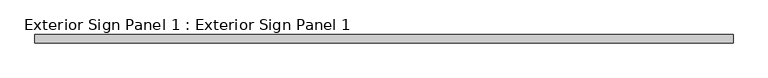
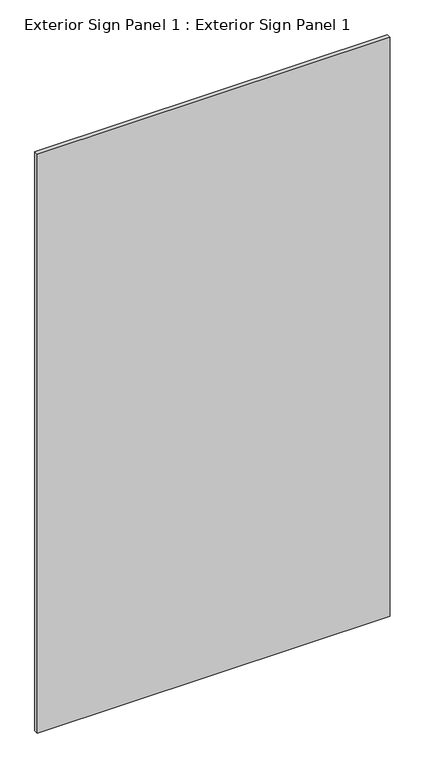
"""IFC4 building model written with IfcOpenShell, lengths in millimetres: proxy geometry, Exterior Sign Panel 1 : Exterior Sign Panel 1."""

from ifc_helpers import new_model, si_unit, frame, origin, place, context, project, spatial, polyline, outline, extrude, source, transform, mapped, element, save


def exterior_sign_panel_1_exterior_sign_panel_1_ab2da4d0(model_context):
    return source(origin(), model_context, "Body", "SweptSolid", [
        extrude(outline(polyline([(228988.1228488, 157576.0096581), (227934.0228488, 157576.0096581), (227934.0228488, 157588.7096581), (228988.1228488, 157588.7096581), (228988.1228488, 157576.0096581)])), frame((0.0, 0.0, 2582.1592564), z_axis=(0.0, 0.0, 1.0), x_axis=(1.0, 0.0, 0.0)), (0.0, 0.0, 1.0), 1828.8),
    ])


if __name__ == "__main__":
    model = new_model("IFC4")
    model_context = context("Model", 3, world=origin())
    ifc_project = project(units=[si_unit("LENGTHUNIT", "METRE", prefix="MILLI")], contexts=[model_context])
    site = spatial("IfcSite", under=ifc_project)
    building = spatial("IfcBuilding", under=site)
    placement = place(None, origin())
    exterior_sign_panel_1_exterior_sign_panel_1_shape = exterior_sign_panel_1_exterior_sign_panel_1_ab2da4d0(model_context)
    element("IfcBuildingElementProxy", 1, Name="Exterior Sign Panel 1 : Exterior Sign Panel 1", ObjectType="Exterior Sign Panel 1 : Exterior Sign Panel 1", at=placement, inside=building, context=model_context, shape_type="MappedRepresentation", body=[
        mapped(exterior_sign_panel_1_exterior_sign_panel_1_shape, transform((0.0, 0.0, 0.0), x_axis=(1.0, 0.0, 0.0), y_axis=(0.0, 1.0, 0.0), z_axis=(0.0, 0.0, 1.0))),
    ])
    save(model, "model.ifc")
